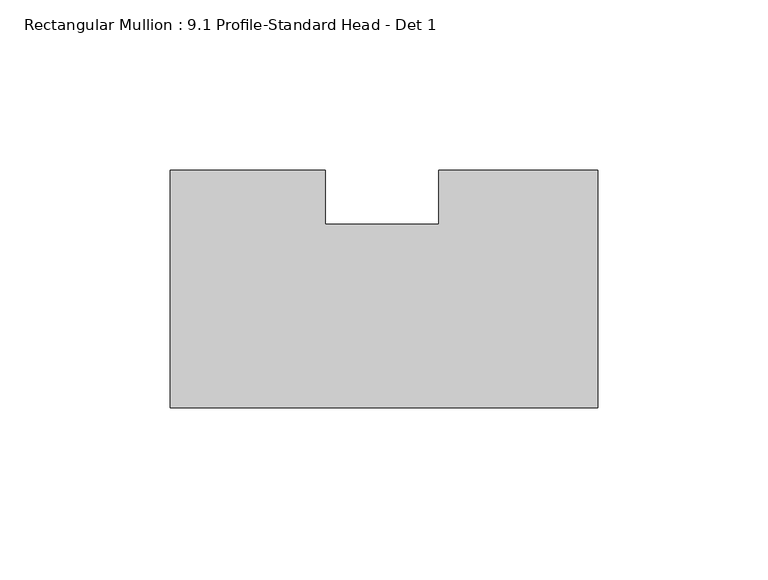
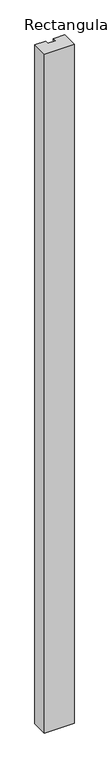
"""IFC4 building model written with IfcOpenShell, lengths in millimetres: member geometry, Rectangular Mullion : 9.1 Profile-Standard Head - Det 1."""

from ifc_helpers import new_model, si_unit, frame, origin, place, context, project, spatial, polyline, outline, extrude, source, transform, mapped, element, save


def rectangular_mullion_9_1_profile_standard_head_det_1_a730eae9(model_context):
    return source(origin(), model_context, "Body", "SweptSolid", [
        extrude(outline(polyline([(-125.7808, -51.59375), (-125.7808, 18.25625), (-80.2091346, 18.25625), (-80.2091346, 2.38125), (-46.8497888, 2.38125), (-46.8497888, 18.25625), (0.0, 18.25625), (0.0, -51.59375), (-125.7808, -51.59375)])), frame((0.0, 0.0, -3048.0), z_axis=(0.0, 0.0, 1.0), x_axis=(1.0, 0.0, 0.0)), (0.0, 0.0, 1.0), 3048.0),
    ])


if __name__ == "__main__":
    model = new_model("IFC4")
    model_context = context("Model", 3, world=origin())
    ifc_project = project(units=[si_unit("LENGTHUNIT", "METRE", prefix="MILLI")], contexts=[model_context])
    site = spatial("IfcSite", under=ifc_project)
    building = spatial("IfcBuilding", under=site)
    placement = place(None, origin())
    rectangular_mullion_9_1_profile_standard_head_det_1_shape = rectangular_mullion_9_1_profile_standard_head_det_1_a730eae9(model_context)
    element("IfcMember", 1, ObjectType="Rectangular Mullion : 9.1 Profile-Standard Head - Det 1", at=placement, inside=building, context=model_context, shape_type="MappedRepresentation", body=[
        mapped(rectangular_mullion_9_1_profile_standard_head_det_1_shape, transform((0.0, 0.0, 0.0), x_axis=(1.0, 0.0, 0.0), y_axis=(0.0, 1.0, 0.0), z_axis=(0.0, 0.0, 1.0))),
    ])
    save(model, "model.ifc")
